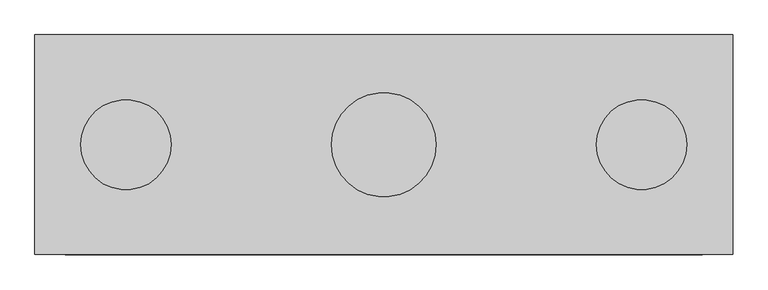
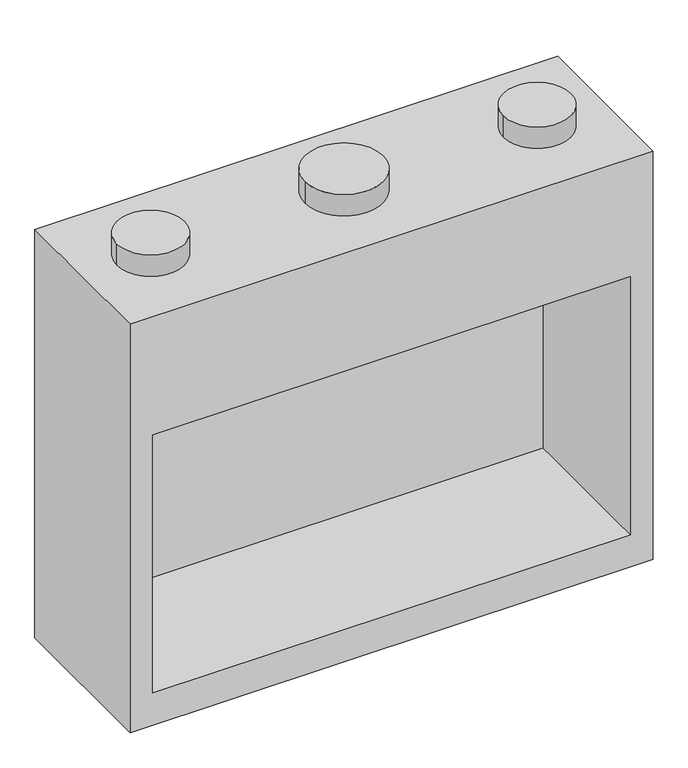
"""IFC4 building model written with IfcOpenShell, lengths in millimetres: proxy geometry."""

from ifc_helpers import new_model, si_unit, point, frame, frame_2d, origin, origin_2d, place, context, project, spatial, circle_curve, trimmed, segment, composite_curve, outline, extrude, faceted_brep, source, transform, mapped, element, save


def generic_models_e2311a0a(model_context):
    return source(origin(), model_context, "Body", "SolidModel", [
        faceted_brep([(1168.4, 368.3, 1930.4), (-1168.4, 368.3, 1930.4), (-1168.4, -368.3, 1930.4), (1168.4, -368.3, 1930.4), (1168.4, 368.3, 0.0), (1168.4, -368.3, 0.0), (-1168.4, -368.3, 0.0), (-1168.4, 368.3, 0.0), (-1066.8, -368.3, 1371.6), (1066.8, -368.3, 1371.6), (1066.8, -368.3, 152.4), (-1066.8, -368.3, 152.4), (1066.8, 307.149358, 1371.6), (-1066.8, 307.149358, 1371.6), (-1066.8, 307.149358, 152.4), (1066.8, 307.149358, 152.4)], [[[0, 1, 2, 3]], [[4, 5, 6, 7]], [[1, 0, 4, 7]], [[2, 1, 7, 6]], [[3, 2, 6, 5], [8, 9, 10, 11]], [[0, 3, 5, 4]], [[12, 13, 14, 15]], [[13, 12, 9, 8]], [[14, 13, 8, 11]], [[15, 14, 11, 10]], [[12, 15, 10, 9]]]),
        extrude(outline(composite_curve([segment(trimmed(circle_curve(origin_2d(), 174.625), [point((-174.625, 0.0))], [point((174.625, 0.0))], False, "CARTESIAN"), True, "CONTINUOUS"), segment(trimmed(circle_curve(origin_2d(), 174.625), [point((174.625, 0.0))], [point((-174.625, 0.0))], False, "CARTESIAN"), True, "CONTINUOUS")], self_intersect=False)), frame((0.0, 0.0, 1930.4), z_axis=(0.0, 0.0, 1.0), x_axis=(1.0, 0.0, 0.0)), (0.0, 0.0, 1.0), 101.6),
        extrude(outline(composite_curve([segment(trimmed(circle_curve(frame_2d((-863.6, -0.0635)), 150.876), [point((-1014.476, -0.0635))], [point((-712.724, -0.0635))], False, "CARTESIAN"), True, "CONTINUOUS"), segment(trimmed(circle_curve(frame_2d((-863.6, -0.0635)), 150.876), [point((-712.724, -0.0635))], [point((-1014.476, -0.0635))], False, "CARTESIAN"), True, "CONTINUOUS")], self_intersect=False)), frame((0.0, 0.0, 1930.4), z_axis=(0.0, 0.0, 1.0), x_axis=(1.0, 0.0, 0.0)), (0.0, 0.0, 1.0), 101.6),
        extrude(outline(composite_curve([segment(trimmed(circle_curve(frame_2d((863.6, 0.0)), 150.8125), [point((712.7875, 0.0))], [point((1014.4125, 0.0))], False, "CARTESIAN"), True, "CONTINUOUS"), segment(trimmed(circle_curve(frame_2d((863.6, 0.0)), 150.8125), [point((1014.4125, 0.0))], [point((712.7875, 0.0))], False, "CARTESIAN"), True, "CONTINUOUS")], self_intersect=False)), frame((0.0, 0.0, 1930.4), z_axis=(0.0, 0.0, 1.0), x_axis=(1.0, 0.0, 0.0)), (0.0, 0.0, 1.0), 101.6),
    ])


if __name__ == "__main__":
    model = new_model("IFC4")
    model_context = context("Model", 3, world=origin())
    ifc_project = project(units=[si_unit("LENGTHUNIT", "METRE", prefix="MILLI")], contexts=[model_context])
    site = spatial("IfcSite", under=ifc_project)
    building = spatial("IfcBuilding", under=site)
    placement = place(None, origin())
    generic_models_shape = generic_models_e2311a0a(model_context)
    element("IfcBuildingElementProxy", 1, Name="Generic Models", at=placement, inside=building, context=model_context, shape_type="MappedRepresentation", body=[
        mapped(generic_models_shape, transform((0.0, 0.0, 0.0), x_axis=(1.0, 0.0, 0.0), y_axis=(0.0, 1.0, 0.0), z_axis=(0.0, 0.0, 1.0))),
    ])
    save(model, "model.ifc")
